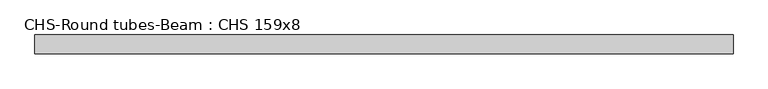
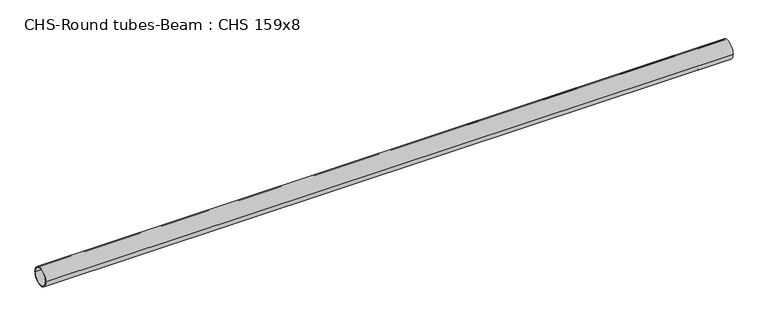
"""IFC4 building model written with IfcOpenShell, lengths in millimetres: beam geometry, CHS-Round tubes-Beam : CHS 159x8."""

from ifc_helpers import new_model, si_unit, point, frame, origin, origin_2d, place, context, project, spatial, circle_curve, trimmed, segment, composite_curve, outline, extrude, source, transform, mapped, element, save


def chs_round_tubes_beam_chs_159x8_883d00e0(model_context):
    return source(origin(), model_context, "Body", "SweptSolid", [
        extrude(outline(composite_curve([segment(trimmed(circle_curve(origin_2d(), 79.5), [point((79.5, 0.0))], [point((-79.5, 0.0))], False, "CARTESIAN"), True, "CONTINUOUS"), segment(trimmed(circle_curve(origin_2d(), 79.5), [point((-79.5, 0.0))], [point((79.5, 0.0))], False, "CARTESIAN"), True, "CONTINUOUS")], self_intersect=False), holes=[composite_curve([segment(trimmed(circle_curve(origin_2d(), 71.5), [point((71.5, 0.0))], [point((-71.5, 0.0))], True, "CARTESIAN"), True, "CONTINUOUS"), segment(trimmed(circle_curve(origin_2d(), 71.5), [point((-71.5, 0.0))], [point((71.5, 0.0))], True, "CARTESIAN"), True, "CONTINUOUS")], self_intersect=False)]), frame((-2942.5104657, 0.0, 0.0), z_axis=(1.0, 0.0, 0.0), x_axis=(0.0, 1.0, 0.0)), (0.0, 0.0, 1.0), 5885.0209314),
    ])


if __name__ == "__main__":
    model = new_model("IFC4")
    model_context = context("Model", 3, world=origin())
    ifc_project = project(units=[si_unit("LENGTHUNIT", "METRE", prefix="MILLI")], contexts=[model_context])
    site = spatial("IfcSite", under=ifc_project)
    building = spatial("IfcBuilding", under=site)
    placement = place(None, origin())
    chs_round_tubes_beam_chs_159x8_shape = chs_round_tubes_beam_chs_159x8_883d00e0(model_context)
    element("IfcBeam", 1, ObjectType="CHS-Round tubes-Beam : CHS 159x8", at=placement, inside=building, context=model_context, shape_type="MappedRepresentation", body=[
        mapped(chs_round_tubes_beam_chs_159x8_shape, transform((0.0, 0.0, 0.0), x_axis=(1.0, 0.0, 0.0), y_axis=(0.0, 1.0, 0.0), z_axis=(0.0, 0.0, 1.0))),
    ])
    save(model, "model.ifc")
